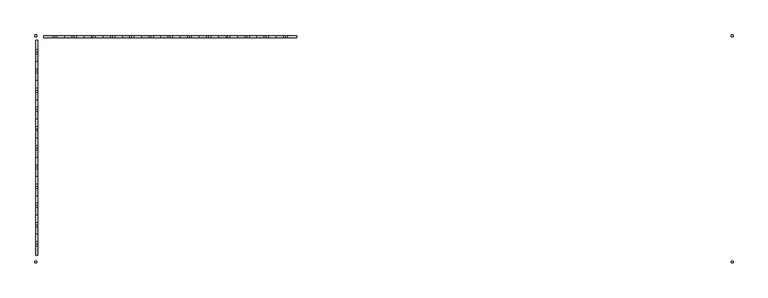
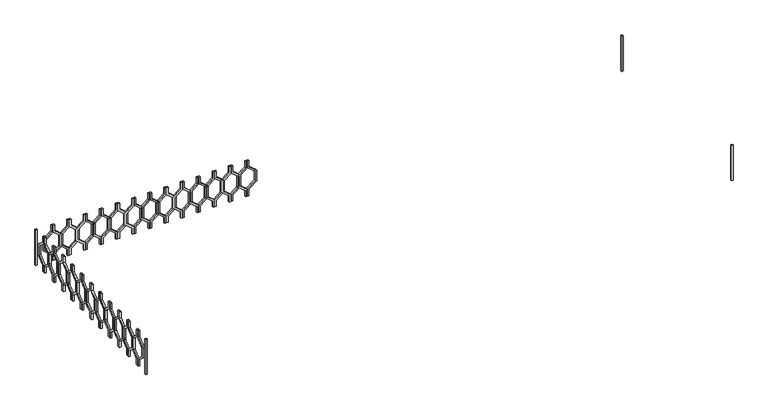
"""IFC4 building model written with IfcOpenShell, lengths in millimetres: railing geometry."""

from ifc_helpers import new_model, si_unit, frame, origin, place, context, project, spatial, polyline, outline, extrude, source, transform, mapped, element, save


def railing_2b5b84c0(model_context):
    return source(origin(), model_context, "Body", "SweptSolid", [
        extrude(outline(polyline([(12160.0, 44935.0112841), (12070.448155, 44935.0112841), (11990.448155, 45034.0062335), (11869.551845, 45034.0062335), (11789.551845, 44935.0112841), (11700.0, 44935.0112841), (11700.0, 44955.0112841), (11780.0, 44955.0112841), (11860.0, 45054.0062335), (12000.0, 45054.0062335), (12080.0, 44955.0112841), (12160.0, 44955.0112841), (12160.0, 44935.0112841)])), frame((0.0, 3248.1079487, 0.0), z_axis=(0.0, 1.0, 0.0), x_axis=(0.0, 0.0, 1.0)), (0.0, 0.0, 1.0), 20.0),
        extrude(outline(polyline([(12160.0, 44935.0112841), (12160.0, 44915.0112841), (12080.0, 44915.0112841), (12000.0, 44816.0163347), (11860.0, 44816.0163347), (11780.0, 44915.0112841), (11700.0, 44915.0112841), (11700.0, 44935.0112841), (11789.551845, 44935.0112841), (11869.551845, 44836.0163347), (11990.448155, 44836.0163347), (12070.448155, 44935.0112841), (12160.0, 44935.0112841)])), frame((0.0, 3248.1079487, 0.0), z_axis=(0.0, 1.0, 0.0), x_axis=(0.0, 0.0, 1.0)), (0.0, 0.0, 1.0), 20.0),
        extrude(outline(polyline([(12160.0, 44735.0112841), (12070.448155, 44735.0112841), (11990.448155, 44834.0062335), (11869.551845, 44834.0062335), (11789.551845, 44735.0112841), (11700.0, 44735.0112841), (11700.0, 44755.0112841), (11780.0, 44755.0112841), (11860.0, 44854.0062335), (12000.0, 44854.0062335), (12080.0, 44755.0112841), (12160.0, 44755.0112841), (12160.0, 44735.0112841)])), frame((0.0, 3248.1079487, 0.0), z_axis=(0.0, 1.0, 0.0), x_axis=(0.0, 0.0, 1.0)), (0.0, 0.0, 1.0), 20.0),
        extrude(outline(polyline([(12160.0, 44735.0112841), (12160.0, 44715.0112841), (12080.0, 44715.0112841), (12000.0, 44616.0163347), (11860.0, 44616.0163347), (11780.0, 44715.0112841), (11700.0, 44715.0112841), (11700.0, 44735.0112841), (11789.551845, 44735.0112841), (11869.551845, 44636.0163347), (11990.448155, 44636.0163347), (12070.448155, 44735.0112841), (12160.0, 44735.0112841)])), frame((0.0, 3248.1079487, 0.0), z_axis=(0.0, 1.0, 0.0), x_axis=(0.0, 0.0, 1.0)), (0.0, 0.0, 1.0), 20.0),
        extrude(outline(polyline([(12160.0, 44535.0112841), (12070.448155, 44535.0112841), (11990.448155, 44634.0062335), (11869.551845, 44634.0062335), (11789.551845, 44535.0112841), (11700.0, 44535.0112841), (11700.0, 44555.0112841), (11780.0, 44555.0112841), (11860.0, 44654.0062335), (12000.0, 44654.0062335), (12080.0, 44555.0112841), (12160.0, 44555.0112841), (12160.0, 44535.0112841)])), frame((0.0, 3248.1079487, 0.0), z_axis=(0.0, 1.0, 0.0), x_axis=(0.0, 0.0, 1.0)), (0.0, 0.0, 1.0), 20.0),
        extrude(outline(polyline([(12160.0, 44535.0112841), (12160.0, 44515.0112841), (12080.0, 44515.0112841), (12000.0, 44416.0163347), (11860.0, 44416.0163347), (11780.0, 44515.0112841), (11700.0, 44515.0112841), (11700.0, 44535.0112841), (11789.551845, 44535.0112841), (11869.551845, 44436.0163347), (11990.448155, 44436.0163347), (12070.448155, 44535.0112841), (12160.0, 44535.0112841)])), frame((0.0, 3248.1079487, 0.0), z_axis=(0.0, 1.0, 0.0), x_axis=(0.0, 0.0, 1.0)), (0.0, 0.0, 1.0), 20.0),
        extrude(outline(polyline([(12160.0, 44335.0112841), (12070.448155, 44335.0112841), (11990.448155, 44434.0062335), (11869.551845, 44434.0062335), (11789.551845, 44335.0112841), (11700.0, 44335.0112841), (11700.0, 44355.0112841), (11780.0, 44355.0112841), (11860.0, 44454.0062335), (12000.0, 44454.0062335), (12080.0, 44355.0112841), (12160.0, 44355.0112841), (12160.0, 44335.0112841)])), frame((0.0, 3248.1079487, 0.0), z_axis=(0.0, 1.0, 0.0), x_axis=(0.0, 0.0, 1.0)), (0.0, 0.0, 1.0), 20.0),
        extrude(outline(polyline([(12160.0, 44335.0112841), (12160.0, 44315.0112841), (12080.0, 44315.0112841), (12000.0, 44216.0163347), (11860.0, 44216.0163347), (11780.0, 44315.0112841), (11700.0, 44315.0112841), (11700.0, 44335.0112841), (11789.551845, 44335.0112841), (11869.551845, 44236.0163347), (11990.448155, 44236.0163347), (12070.448155, 44335.0112841), (12160.0, 44335.0112841)])), frame((0.0, 3248.1079487, 0.0), z_axis=(0.0, 1.0, 0.0), x_axis=(0.0, 0.0, 1.0)), (0.0, 0.0, 1.0), 20.0),
        extrude(outline(polyline([(12160.0, 44135.0112841), (12070.448155, 44135.0112841), (11990.448155, 44234.0062335), (11869.551845, 44234.0062335), (11789.551845, 44135.0112841), (11700.0, 44135.0112841), (11700.0, 44155.0112841), (11780.0, 44155.0112841), (11860.0, 44254.0062335), (12000.0, 44254.0062335), (12080.0, 44155.0112841), (12160.0, 44155.0112841), (12160.0, 44135.0112841)])), frame((0.0, 3248.1079487, 0.0), z_axis=(0.0, 1.0, 0.0), x_axis=(0.0, 0.0, 1.0)), (0.0, 0.0, 1.0), 20.0),
        extrude(outline(polyline([(12160.0, 44135.0112841), (12160.0, 44115.0112841), (12080.0, 44115.0112841), (12000.0, 44016.0163347), (11860.0, 44016.0163347), (11780.0, 44115.0112841), (11700.0, 44115.0112841), (11700.0, 44135.0112841), (11789.551845, 44135.0112841), (11869.551845, 44036.0163347), (11990.448155, 44036.0163347), (12070.448155, 44135.0112841), (12160.0, 44135.0112841)])), frame((0.0, 3248.1079487, 0.0), z_axis=(0.0, 1.0, 0.0), x_axis=(0.0, 0.0, 1.0)), (0.0, 0.0, 1.0), 20.0),
        extrude(outline(polyline([(12160.0, 43935.0112841), (12070.448155, 43935.0112841), (11990.448155, 44034.0062335), (11869.551845, 44034.0062335), (11789.551845, 43935.0112841), (11700.0, 43935.0112841), (11700.0, 43955.0112841), (11780.0, 43955.0112841), (11860.0, 44054.0062335), (12000.0, 44054.0062335), (12080.0, 43955.0112841), (12160.0, 43955.0112841), (12160.0, 43935.0112841)])), frame((0.0, 3248.1079487, 0.0), z_axis=(0.0, 1.0, 0.0), x_axis=(0.0, 0.0, 1.0)), (0.0, 0.0, 1.0), 20.0),
        extrude(outline(polyline([(12160.0, 43935.0112841), (12160.0, 43915.0112841), (12080.0, 43915.0112841), (12000.0, 43816.0163347), (11860.0, 43816.0163347), (11780.0, 43915.0112841), (11700.0, 43915.0112841), (11700.0, 43935.0112841), (11789.551845, 43935.0112841), (11869.551845, 43836.0163347), (11990.448155, 43836.0163347), (12070.448155, 43935.0112841), (12160.0, 43935.0112841)])), frame((0.0, 3248.1079487, 0.0), z_axis=(0.0, 1.0, 0.0), x_axis=(0.0, 0.0, 1.0)), (0.0, 0.0, 1.0), 20.0),
        extrude(outline(polyline([(12160.0, 43735.0112841), (12070.448155, 43735.0112841), (11990.448155, 43834.0062335), (11869.551845, 43834.0062335), (11789.551845, 43735.0112841), (11700.0, 43735.0112841), (11700.0, 43755.0112841), (11780.0, 43755.0112841), (11860.0, 43854.0062335), (12000.0, 43854.0062335), (12080.0, 43755.0112841), (12160.0, 43755.0112841), (12160.0, 43735.0112841)])), frame((0.0, 3248.1079487, 0.0), z_axis=(0.0, 1.0, 0.0), x_axis=(0.0, 0.0, 1.0)), (0.0, 0.0, 1.0), 20.0),
        extrude(outline(polyline([(12160.0, 43735.0112841), (12160.0, 43715.0112841), (12080.0, 43715.0112841), (12000.0, 43616.0163347), (11860.0, 43616.0163347), (11780.0, 43715.0112841), (11700.0, 43715.0112841), (11700.0, 43735.0112841), (11789.551845, 43735.0112841), (11869.551845, 43636.0163347), (11990.448155, 43636.0163347), (12070.448155, 43735.0112841), (12160.0, 43735.0112841)])), frame((0.0, 3248.1079487, 0.0), z_axis=(0.0, 1.0, 0.0), x_axis=(0.0, 0.0, 1.0)), (0.0, 0.0, 1.0), 20.0),
        extrude(outline(polyline([(12160.0, 43535.0112841), (12070.448155, 43535.0112841), (11990.448155, 43634.0062335), (11869.551845, 43634.0062335), (11789.551845, 43535.0112841), (11700.0, 43535.0112841), (11700.0, 43555.0112841), (11780.0, 43555.0112841), (11860.0, 43654.0062335), (12000.0, 43654.0062335), (12080.0, 43555.0112841), (12160.0, 43555.0112841), (12160.0, 43535.0112841)])), frame((0.0, 3248.1079487, 0.0), z_axis=(0.0, 1.0, 0.0), x_axis=(0.0, 0.0, 1.0)), (0.0, 0.0, 1.0), 20.0),
        extrude(outline(polyline([(12160.0, 43535.0112841), (12160.0, 43515.0112841), (12080.0, 43515.0112841), (12000.0, 43416.0163347), (11860.0, 43416.0163347), (11780.0, 43515.0112841), (11700.0, 43515.0112841), (11700.0, 43535.0112841), (11789.551845, 43535.0112841), (11869.551845, 43436.0163347), (11990.448155, 43436.0163347), (12070.448155, 43535.0112841), (12160.0, 43535.0112841)])), frame((0.0, 3248.1079487, 0.0), z_axis=(0.0, 1.0, 0.0), x_axis=(0.0, 0.0, 1.0)), (0.0, 0.0, 1.0), 20.0),
        extrude(outline(polyline([(12160.0, 43335.0112841), (12070.448155, 43335.0112841), (11990.448155, 43434.0062335), (11869.551845, 43434.0062335), (11789.551845, 43335.0112841), (11700.0, 43335.0112841), (11700.0, 43355.0112841), (11780.0, 43355.0112841), (11860.0, 43454.0062335), (12000.0, 43454.0062335), (12080.0, 43355.0112841), (12160.0, 43355.0112841), (12160.0, 43335.0112841)])), frame((0.0, 3248.1079487, 0.0), z_axis=(0.0, 1.0, 0.0), x_axis=(0.0, 0.0, 1.0)), (0.0, 0.0, 1.0), 20.0),
        extrude(outline(polyline([(12160.0, 43335.0112841), (12160.0, 43315.0112841), (12080.0, 43315.0112841), (12000.0, 43216.0163347), (11860.0, 43216.0163347), (11780.0, 43315.0112841), (11700.0, 43315.0112841), (11700.0, 43335.0112841), (11789.551845, 43335.0112841), (11869.551845, 43236.0163347), (11990.448155, 43236.0163347), (12070.448155, 43335.0112841), (12160.0, 43335.0112841)])), frame((0.0, 3248.1079487, 0.0), z_axis=(0.0, 1.0, 0.0), x_axis=(0.0, 0.0, 1.0)), (0.0, 0.0, 1.0), 20.0),
        extrude(outline(polyline([(12160.0, 43135.0112841), (12070.448155, 43135.0112841), (11990.448155, 43234.0062335), (11869.551845, 43234.0062335), (11789.551845, 43135.0112841), (11700.0, 43135.0112841), (11700.0, 43155.0112841), (11780.0, 43155.0112841), (11860.0, 43254.0062335), (12000.0, 43254.0062335), (12080.0, 43155.0112841), (12160.0, 43155.0112841), (12160.0, 43135.0112841)])), frame((0.0, 3248.1079487, 0.0), z_axis=(0.0, 1.0, 0.0), x_axis=(0.0, 0.0, 1.0)), (0.0, 0.0, 1.0), 20.0),
        extrude(outline(polyline([(12160.0, 43135.0112841), (12160.0, 43115.0112841), (12080.0, 43115.0112841), (12000.0, 43016.0163347), (11860.0, 43016.0163347), (11780.0, 43115.0112841), (11700.0, 43115.0112841), (11700.0, 43135.0112841), (11789.551845, 43135.0112841), (11869.551845, 43036.0163347), (11990.448155, 43036.0163347), (12070.448155, 43135.0112841), (12160.0, 43135.0112841)])), frame((0.0, 3248.1079487, 0.0), z_axis=(0.0, 1.0, 0.0), x_axis=(0.0, 0.0, 1.0)), (0.0, 0.0, 1.0), 20.0),
        extrude(outline(polyline([(12160.0, 42935.0112841), (12070.448155, 42935.0112841), (11990.448155, 43034.0062335), (11869.551845, 43034.0062335), (11789.551845, 42935.0112841), (11700.0, 42935.0112841), (11700.0, 42955.0112841), (11780.0, 42955.0112841), (11860.0, 43054.0062335), (12000.0, 43054.0062335), (12080.0, 42955.0112841), (12160.0, 42955.0112841), (12160.0, 42935.0112841)])), frame((0.0, 3248.1079487, 0.0), z_axis=(0.0, 1.0, 0.0), x_axis=(0.0, 0.0, 1.0)), (0.0, 0.0, 1.0), 20.0),
        extrude(outline(polyline([(12160.0, 42935.0112841), (12160.0, 42915.0112841), (12080.0, 42915.0112841), (12000.0, 42816.0163347), (11860.0, 42816.0163347), (11780.0, 42915.0112841), (11700.0, 42915.0112841), (11700.0, 42935.0112841), (11789.551845, 42935.0112841), (11869.551845, 42836.0163347), (11990.448155, 42836.0163347), (12070.448155, 42935.0112841), (12160.0, 42935.0112841)])), frame((0.0, 3248.1079487, 0.0), z_axis=(0.0, 1.0, 0.0), x_axis=(0.0, 0.0, 1.0)), (0.0, 0.0, 1.0), 20.0),
        extrude(outline(polyline([(12160.0, 42735.0112841), (12070.448155, 42735.0112841), (11990.448155, 42834.0062335), (11869.551845, 42834.0062335), (11789.551845, 42735.0112841), (11700.0, 42735.0112841), (11700.0, 42755.0112841), (11780.0, 42755.0112841), (11860.0, 42854.0062335), (12000.0, 42854.0062335), (12080.0, 42755.0112841), (12160.0, 42755.0112841), (12160.0, 42735.0112841)])), frame((0.0, 3248.1079487, 0.0), z_axis=(0.0, 1.0, 0.0), x_axis=(0.0, 0.0, 1.0)), (0.0, 0.0, 1.0), 20.0),
        extrude(outline(polyline([(12160.0, 42735.0112841), (12160.0, 42715.0112841), (12080.0, 42715.0112841), (12000.0, 42616.0163347), (11860.0, 42616.0163347), (11780.0, 42715.0112841), (11700.0, 42715.0112841), (11700.0, 42735.0112841), (11789.551845, 42735.0112841), (11869.551845, 42636.0163347), (11990.448155, 42636.0163347), (12070.448155, 42735.0112841), (12160.0, 42735.0112841)])), frame((0.0, 3248.1079487, 0.0), z_axis=(0.0, 1.0, 0.0), x_axis=(0.0, 0.0, 1.0)), (0.0, 0.0, 1.0), 20.0),
        extrude(outline(polyline([(12160.0, 42535.0112841), (12070.448155, 42535.0112841), (11990.448155, 42634.0062335), (11869.551845, 42634.0062335), (11789.551845, 42535.0112841), (11700.0, 42535.0112841), (11700.0, 42555.0112841), (11780.0, 42555.0112841), (11860.0, 42654.0062335), (12000.0, 42654.0062335), (12080.0, 42555.0112841), (12160.0, 42555.0112841), (12160.0, 42535.0112841)])), frame((0.0, 3248.1079487, 0.0), z_axis=(0.0, 1.0, 0.0), x_axis=(0.0, 0.0, 1.0)), (0.0, 0.0, 1.0), 20.0),
        extrude(outline(polyline([(12160.0, 42535.0112841), (12160.0, 42515.0112841), (12080.0, 42515.0112841), (12000.0, 42416.0163347), (11860.0, 42416.0163347), (11780.0, 42515.0112841), (11700.0, 42515.0112841), (11700.0, 42535.0112841), (11789.551845, 42535.0112841), (11869.551845, 42436.0163347), (11990.448155, 42436.0163347), (12070.448155, 42535.0112841), (12160.0, 42535.0112841)])), frame((0.0, 3248.1079487, 0.0), z_axis=(0.0, 1.0, 0.0), x_axis=(0.0, 0.0, 1.0)), (0.0, 0.0, 1.0), 20.0),
        extrude(outline(polyline([(3103.1079487, 12160.0), (3123.1079487, 12160.0), (3123.1079487, 12080.0), (3222.102898, 12000.0), (3222.102898, 11860.0), (3123.1079487, 11780.0), (3123.1079487, 11700.0), (3103.1079487, 11700.0), (3103.1079487, 11789.551845), (3202.102898, 11869.551845), (3202.102898, 11990.448155), (3103.1079487, 12070.448155), (3103.1079487, 12160.0)])), frame((42335.0112841, 0.0, 0.0), z_axis=(1.0, 0.0, 0.0), x_axis=(0.0, 1.0, 0.0)), (0.0, 0.0, 1.0), 20.0),
        extrude(outline(polyline([(3103.1079487, 12160.0), (3103.1079487, 12070.448155), (3004.1129993, 11990.448155), (3004.1129993, 11869.551845), (3103.1079487, 11789.551845), (3103.1079487, 11700.0), (3083.1079487, 11700.0), (3083.1079487, 11780.0), (2984.1129993, 11860.0), (2984.1129993, 12000.0), (3083.1079487, 12080.0), (3083.1079487, 12160.0), (3103.1079487, 12160.0)])), frame((42335.0112841, 0.0, 0.0), z_axis=(1.0, 0.0, 0.0), x_axis=(0.0, 1.0, 0.0)), (0.0, 0.0, 1.0), 20.0),
        extrude(outline(polyline([(2903.1079487, 12160.0), (2923.1079487, 12160.0), (2923.1079487, 12080.0), (3022.102898, 12000.0), (3022.102898, 11860.0), (2923.1079487, 11780.0), (2923.1079487, 11700.0), (2903.1079487, 11700.0), (2903.1079487, 11789.551845), (3002.102898, 11869.551845), (3002.102898, 11990.448155), (2903.1079487, 12070.448155), (2903.1079487, 12160.0)])), frame((42335.0112841, 0.0, 0.0), z_axis=(1.0, 0.0, 0.0), x_axis=(0.0, 1.0, 0.0)), (0.0, 0.0, 1.0), 20.0),
        extrude(outline(polyline([(2903.1079487, 12160.0), (2903.1079487, 12070.448155), (2804.1129993, 11990.448155), (2804.1129993, 11869.551845), (2903.1079487, 11789.551845), (2903.1079487, 11700.0), (2883.1079487, 11700.0), (2883.1079487, 11780.0), (2784.1129993, 11860.0), (2784.1129993, 12000.0), (2883.1079487, 12080.0), (2883.1079487, 12160.0), (2903.1079487, 12160.0)])), frame((42335.0112841, 0.0, 0.0), z_axis=(1.0, 0.0, 0.0), x_axis=(0.0, 1.0, 0.0)), (0.0, 0.0, 1.0), 20.0),
        extrude(outline(polyline([(2703.1079487, 12160.0), (2723.1079487, 12160.0), (2723.1079487, 12080.0), (2822.102898, 12000.0), (2822.102898, 11860.0), (2723.1079487, 11780.0), (2723.1079487, 11700.0), (2703.1079487, 11700.0), (2703.1079487, 11789.551845), (2802.102898, 11869.551845), (2802.102898, 11990.448155), (2703.1079487, 12070.448155), (2703.1079487, 12160.0)])), frame((42335.0112841, 0.0, 0.0), z_axis=(1.0, 0.0, 0.0), x_axis=(0.0, 1.0, 0.0)), (0.0, 0.0, 1.0), 20.0),
        extrude(outline(polyline([(2703.1079487, 12160.0), (2703.1079487, 12070.448155), (2604.1129993, 11990.448155), (2604.1129993, 11869.551845), (2703.1079487, 11789.551845), (2703.1079487, 11700.0), (2683.1079487, 11700.0), (2683.1079487, 11780.0), (2584.1129993, 11860.0), (2584.1129993, 12000.0), (2683.1079487, 12080.0), (2683.1079487, 12160.0), (2703.1079487, 12160.0)])), frame((42335.0112841, 0.0, 0.0), z_axis=(1.0, 0.0, 0.0), x_axis=(0.0, 1.0, 0.0)), (0.0, 0.0, 1.0), 20.0),
        extrude(outline(polyline([(2503.1079487, 12160.0), (2523.1079487, 12160.0), (2523.1079487, 12080.0), (2622.102898, 12000.0), (2622.102898, 11860.0), (2523.1079487, 11780.0), (2523.1079487, 11700.0), (2503.1079487, 11700.0), (2503.1079487, 11789.551845), (2602.102898, 11869.551845), (2602.102898, 11990.448155), (2503.1079487, 12070.448155), (2503.1079487, 12160.0)])), frame((42335.0112841, 0.0, 0.0), z_axis=(1.0, 0.0, 0.0), x_axis=(0.0, 1.0, 0.0)), (0.0, 0.0, 1.0), 20.0),
        extrude(outline(polyline([(2503.1079487, 12160.0), (2503.1079487, 12070.448155), (2404.1129993, 11990.448155), (2404.1129993, 11869.551845), (2503.1079487, 11789.551845), (2503.1079487, 11700.0), (2483.1079487, 11700.0), (2483.1079487, 11780.0), (2384.1129993, 11860.0), (2384.1129993, 12000.0), (2483.1079487, 12080.0), (2483.1079487, 12160.0), (2503.1079487, 12160.0)])), frame((42335.0112841, 0.0, 0.0), z_axis=(1.0, 0.0, 0.0), x_axis=(0.0, 1.0, 0.0)), (0.0, 0.0, 1.0), 20.0),
        extrude(outline(polyline([(2303.1079487, 12160.0), (2323.1079487, 12160.0), (2323.1079487, 12080.0), (2422.102898, 12000.0), (2422.102898, 11860.0), (2323.1079487, 11780.0), (2323.1079487, 11700.0), (2303.1079487, 11700.0), (2303.1079487, 11789.551845), (2402.102898, 11869.551845), (2402.102898, 11990.448155), (2303.1079487, 12070.448155), (2303.1079487, 12160.0)])), frame((42335.0112841, 0.0, 0.0), z_axis=(1.0, 0.0, 0.0), x_axis=(0.0, 1.0, 0.0)), (0.0, 0.0, 1.0), 20.0),
        extrude(outline(polyline([(2303.1079487, 12160.0), (2303.1079487, 12070.448155), (2204.1129993, 11990.448155), (2204.1129993, 11869.551845), (2303.1079487, 11789.551845), (2303.1079487, 11700.0), (2283.1079487, 11700.0), (2283.1079487, 11780.0), (2184.1129993, 11860.0), (2184.1129993, 12000.0), (2283.1079487, 12080.0), (2283.1079487, 12160.0), (2303.1079487, 12160.0)])), frame((42335.0112841, 0.0, 0.0), z_axis=(1.0, 0.0, 0.0), x_axis=(0.0, 1.0, 0.0)), (0.0, 0.0, 1.0), 20.0),
        extrude(outline(polyline([(2103.1079487, 12160.0), (2123.1079487, 12160.0), (2123.1079487, 12080.0), (2222.102898, 12000.0), (2222.102898, 11860.0), (2123.1079487, 11780.0), (2123.1079487, 11700.0), (2103.1079487, 11700.0), (2103.1079487, 11789.551845), (2202.102898, 11869.551845), (2202.102898, 11990.448155), (2103.1079487, 12070.448155), (2103.1079487, 12160.0)])), frame((42335.0112841, 0.0, 0.0), z_axis=(1.0, 0.0, 0.0), x_axis=(0.0, 1.0, 0.0)), (0.0, 0.0, 1.0), 20.0),
        extrude(outline(polyline([(2103.1079487, 12160.0), (2103.1079487, 12070.448155), (2004.1129993, 11990.448155), (2004.1129993, 11869.551845), (2103.1079487, 11789.551845), (2103.1079487, 11700.0), (2083.1079487, 11700.0), (2083.1079487, 11780.0), (1984.1129993, 11860.0), (1984.1129993, 12000.0), (2083.1079487, 12080.0), (2083.1079487, 12160.0), (2103.1079487, 12160.0)])), frame((42335.0112841, 0.0, 0.0), z_axis=(1.0, 0.0, 0.0), x_axis=(0.0, 1.0, 0.0)), (0.0, 0.0, 1.0), 20.0),
        extrude(outline(polyline([(1903.1079487, 12160.0), (1923.1079487, 12160.0), (1923.1079487, 12080.0), (2022.102898, 12000.0), (2022.102898, 11860.0), (1923.1079487, 11780.0), (1923.1079487, 11700.0), (1903.1079487, 11700.0), (1903.1079487, 11789.551845), (2002.102898, 11869.551845), (2002.102898, 11990.448155), (1903.1079487, 12070.448155), (1903.1079487, 12160.0)])), frame((42335.0112841, 0.0, 0.0), z_axis=(1.0, 0.0, 0.0), x_axis=(0.0, 1.0, 0.0)), (0.0, 0.0, 1.0), 20.0),
        extrude(outline(polyline([(1903.1079487, 12160.0), (1903.1079487, 12070.448155), (1804.1129993, 11990.448155), (1804.1129993, 11869.551845), (1903.1079487, 11789.551845), (1903.1079487, 11700.0), (1883.1079487, 11700.0), (1883.1079487, 11780.0), (1784.1129993, 11860.0), (1784.1129993, 12000.0), (1883.1079487, 12080.0), (1883.1079487, 12160.0), (1903.1079487, 12160.0)])), frame((42335.0112841, 0.0, 0.0), z_axis=(1.0, 0.0, 0.0), x_axis=(0.0, 1.0, 0.0)), (0.0, 0.0, 1.0), 20.0),
        extrude(outline(polyline([(1703.1079487, 12160.0), (1723.1079487, 12160.0), (1723.1079487, 12080.0), (1822.102898, 12000.0), (1822.102898, 11860.0), (1723.1079487, 11780.0), (1723.1079487, 11700.0), (1703.1079487, 11700.0), (1703.1079487, 11789.551845), (1802.102898, 11869.551845), (1802.102898, 11990.448155), (1703.1079487, 12070.448155), (1703.1079487, 12160.0)])), frame((42335.0112841, 0.0, 0.0), z_axis=(1.0, 0.0, 0.0), x_axis=(0.0, 1.0, 0.0)), (0.0, 0.0, 1.0), 20.0),
        extrude(outline(polyline([(1703.1079487, 12160.0), (1703.1079487, 12070.448155), (1604.1129993, 11990.448155), (1604.1129993, 11869.551845), (1703.1079487, 11789.551845), (1703.1079487, 11700.0), (1683.1079487, 11700.0), (1683.1079487, 11780.0), (1584.1129993, 11860.0), (1584.1129993, 12000.0), (1683.1079487, 12080.0), (1683.1079487, 12160.0), (1703.1079487, 12160.0)])), frame((42335.0112841, 0.0, 0.0), z_axis=(1.0, 0.0, 0.0), x_axis=(0.0, 1.0, 0.0)), (0.0, 0.0, 1.0), 20.0),
        extrude(outline(polyline([(1503.1079487, 12160.0), (1523.1079487, 12160.0), (1523.1079487, 12080.0), (1622.102898, 12000.0), (1622.102898, 11860.0), (1523.1079487, 11780.0), (1523.1079487, 11700.0), (1503.1079487, 11700.0), (1503.1079487, 11789.551845), (1602.102898, 11869.551845), (1602.102898, 11990.448155), (1503.1079487, 12070.448155), (1503.1079487, 12160.0)])), frame((42335.0112841, 0.0, 0.0), z_axis=(1.0, 0.0, 0.0), x_axis=(0.0, 1.0, 0.0)), (0.0, 0.0, 1.0), 20.0),
        extrude(outline(polyline([(1503.1079487, 12160.0), (1503.1079487, 12070.448155), (1404.1129993, 11990.448155), (1404.1129993, 11869.551845), (1503.1079487, 11789.551845), (1503.1079487, 11700.0), (1483.1079487, 11700.0), (1483.1079487, 11780.0), (1384.1129993, 11860.0), (1384.1129993, 12000.0), (1483.1079487, 12080.0), (1483.1079487, 12160.0), (1503.1079487, 12160.0)])), frame((42335.0112841, 0.0, 0.0), z_axis=(1.0, 0.0, 0.0), x_axis=(0.0, 1.0, 0.0)), (0.0, 0.0, 1.0), 20.0),
        extrude(outline(polyline([(1303.1079487, 12160.0), (1323.1079487, 12160.0), (1323.1079487, 12080.0), (1422.102898, 12000.0), (1422.102898, 11860.0), (1323.1079487, 11780.0), (1323.1079487, 11700.0), (1303.1079487, 11700.0), (1303.1079487, 11789.551845), (1402.102898, 11869.551845), (1402.102898, 11990.448155), (1303.1079487, 12070.448155), (1303.1079487, 12160.0)])), frame((42335.0112841, 0.0, 0.0), z_axis=(1.0, 0.0, 0.0), x_axis=(0.0, 1.0, 0.0)), (0.0, 0.0, 1.0), 20.0),
        extrude(outline(polyline([(1303.1079487, 12160.0), (1303.1079487, 12070.448155), (1204.1129993, 11990.448155), (1204.1129993, 11869.551845), (1303.1079487, 11789.551845), (1303.1079487, 11700.0), (1283.1079487, 11700.0), (1283.1079487, 11780.0), (1184.1129993, 11860.0), (1184.1129993, 12000.0), (1283.1079487, 12080.0), (1283.1079487, 12160.0), (1303.1079487, 12160.0)])), frame((42335.0112841, 0.0, 0.0), z_axis=(1.0, 0.0, 0.0), x_axis=(0.0, 1.0, 0.0)), (0.0, 0.0, 1.0), 20.0),
        extrude(outline(polyline([(1103.1079487, 12160.0), (1123.1079487, 12160.0), (1123.1079487, 12080.0), (1222.102898, 12000.0), (1222.102898, 11860.0), (1123.1079487, 11780.0), (1123.1079487, 11700.0), (1103.1079487, 11700.0), (1103.1079487, 11789.551845), (1202.102898, 11869.551845), (1202.102898, 11990.448155), (1103.1079487, 12070.448155), (1103.1079487, 12160.0)])), frame((42335.0112841, 0.0, 0.0), z_axis=(1.0, 0.0, 0.0), x_axis=(0.0, 1.0, 0.0)), (0.0, 0.0, 1.0), 20.0),
        extrude(outline(polyline([(1103.1079487, 12160.0), (1103.1079487, 12070.448155), (1004.1129993, 11990.448155), (1004.1129993, 11869.551845), (1103.1079487, 11789.551845), (1103.1079487, 11700.0), (1083.1079487, 11700.0), (1083.1079487, 11780.0), (984.1129993, 11860.0), (984.1129993, 12000.0), (1083.1079487, 12080.0), (1083.1079487, 12160.0), (1103.1079487, 12160.0)])), frame((42335.0112841, 0.0, 0.0), z_axis=(1.0, 0.0, 0.0), x_axis=(0.0, 1.0, 0.0)), (0.0, 0.0, 1.0), 20.0),
        extrude(outline(polyline([(49575.0112841, 3278.1079487), (49595.0112841, 3278.1079487), (49595.0112841, 3258.1079487), (49575.0112841, 3258.1079487), (49575.0112841, 3278.1079487)])), frame((0.0, 0.0, 11700.0), z_axis=(0.0, 0.0, 1.0), x_axis=(1.0, 0.0, 0.0)), (0.0, 0.0, 1.0), 460.0),
        extrude(outline(polyline([(42325.0112841, 3258.1079487), (42325.0112841, 3278.1079487), (42345.0112841, 3278.1079487), (42345.0112841, 3258.1079487), (42325.0112841, 3258.1079487)])), frame((0.0, 0.0, 11700.0), z_axis=(0.0, 0.0, 1.0), x_axis=(1.0, 0.0, 0.0)), (0.0, 0.0, 1.0), 460.0),
        extrude(outline(polyline([(49595.0112841, 923.1079487), (49595.0112841, 903.1079487), (49575.0112841, 903.1079487), (49575.0112841, 923.1079487), (49595.0112841, 923.1079487)])), frame((0.0, 0.0, 11700.0), z_axis=(0.0, 0.0, 1.0), x_axis=(1.0, 0.0, 0.0)), (0.0, 0.0, 1.0), 460.0),
        extrude(outline(polyline([(42325.0112841, 903.1079487), (42325.0112841, 923.1079487), (42345.0112841, 923.1079487), (42345.0112841, 903.1079487), (42325.0112841, 903.1079487)])), frame((0.0, 0.0, 11700.0), z_axis=(0.0, 0.0, 1.0), x_axis=(1.0, 0.0, 0.0)), (0.0, 0.0, 1.0), 460.0),
    ])


if __name__ == "__main__":
    model = new_model("IFC4")
    model_context = context("Model", 3, world=origin())
    ifc_project = project(units=[si_unit("LENGTHUNIT", "METRE", prefix="MILLI")], contexts=[model_context])
    site = spatial("IfcSite", under=ifc_project)
    building = spatial("IfcBuilding", under=site)
    placement = place(None, origin())
    railing_shape = railing_2b5b84c0(model_context)
    element("IfcRailing", 1, at=placement, inside=building, context=model_context, shape_type="MappedRepresentation", body=[
        mapped(railing_shape, transform((0.0, 0.0, 0.0), x_axis=(1.0, 0.0, 0.0), y_axis=(0.0, 1.0, 0.0), z_axis=(0.0, 0.0, 1.0))),
    ])
    save(model, "model.ifc")
